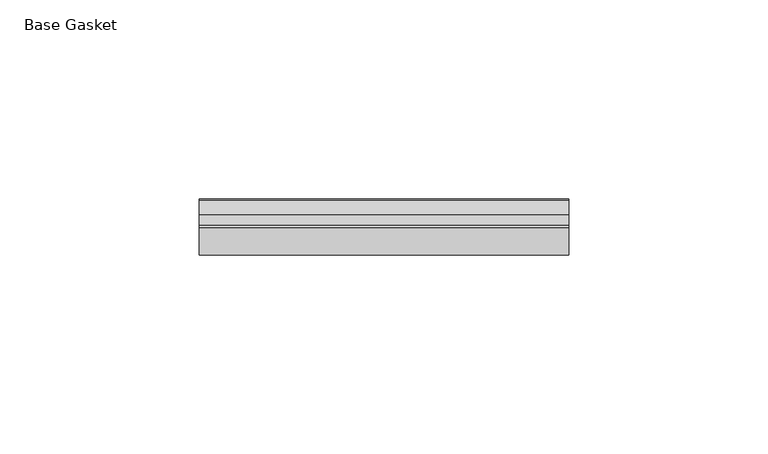
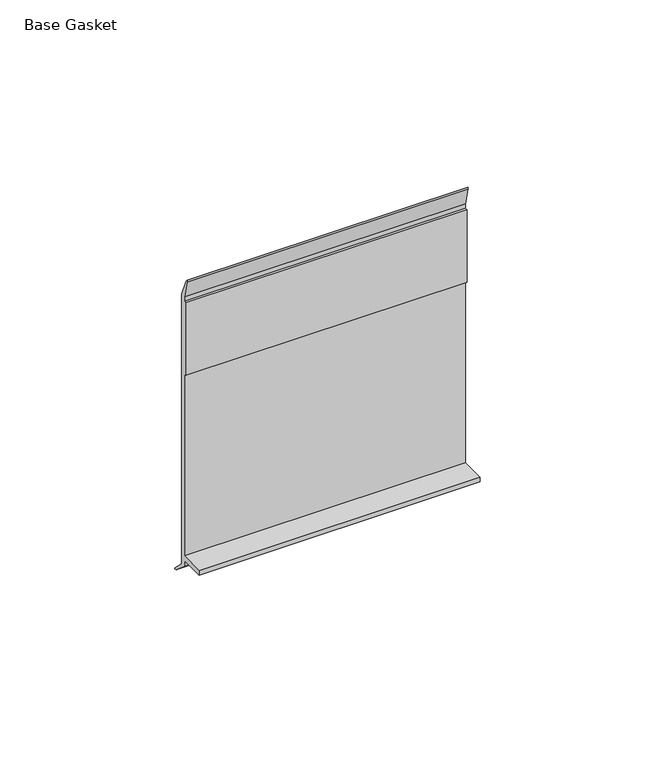
"""IFC4 building model written with IfcOpenShell, lengths in millimetres: furniture geometry, Base Gasket."""

from ifc_helpers import new_model, si_unit, frame, origin, place, context, project, spatial, polyline, outline, extrude, source, transform, mapped, element, save


def base_gasket_fcadc6e8(model_context):
    return source(origin(), model_context, "Body", "SweptSolid", [
        extrude(outline(polyline([(3.7283812, 98.4568417), (3.7283812, 4.3498477), (7.4222115, 0.6560174), (7.8482342, 0.0), (6.8281054, 0.3520979), (2.2043812, 4.3498477), (2.1334222, 6.3818476), (-6.2405171, 6.3818476), (-6.2405171, 7.9398773), (2.2043812, 7.9398773), (2.2043812, 71.4693447), (1.4106313, 71.4693447), (1.4106313, 96.8693477), (2.2043812, 96.8693477), (2.2043812, 98.4568417), (0.6755308, 104.4162708), (0.6755308, 105.2002997), (1.1891543, 104.587663), (3.7283812, 98.4568417)])), frame((-1527.8982117, 0.0, 0.0), z_axis=(1.0, 0.0, 0.0), x_axis=(0.0, 1.0, 0.0)), (0.0, 0.0, 1.0), 92.9132),
    ])


if __name__ == "__main__":
    model = new_model("IFC4")
    model_context = context("Model", 3, world=origin())
    ifc_project = project(units=[si_unit("LENGTHUNIT", "METRE", prefix="MILLI")], contexts=[model_context])
    site = spatial("IfcSite", under=ifc_project)
    building = spatial("IfcBuilding", under=site)
    placement = place(None, origin())
    base_gasket_shape = base_gasket_fcadc6e8(model_context)
    element("IfcFurniture", 1, ObjectType="Base Gasket", at=placement, inside=building, context=model_context, shape_type="MappedRepresentation", body=[
        mapped(base_gasket_shape, transform((0.0, 0.0, 0.0), x_axis=(1.0, 0.0, 0.0), y_axis=(0.0, 1.0, 0.0), z_axis=(0.0, 0.0, 1.0))),
    ])
    save(model, "model.ifc")
